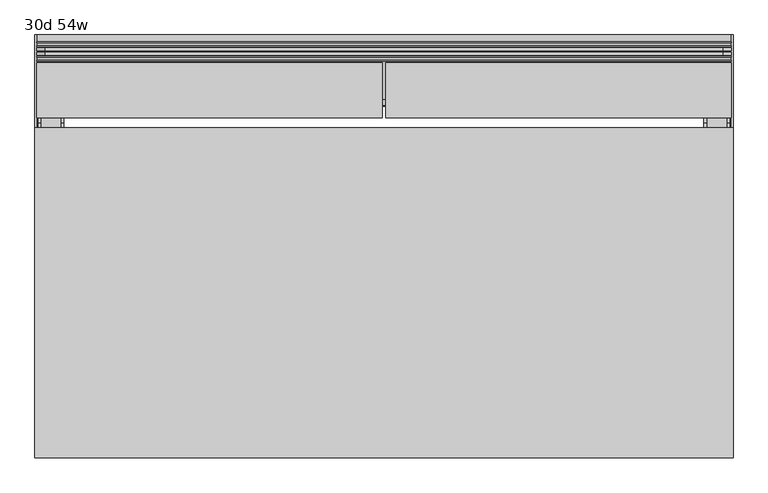
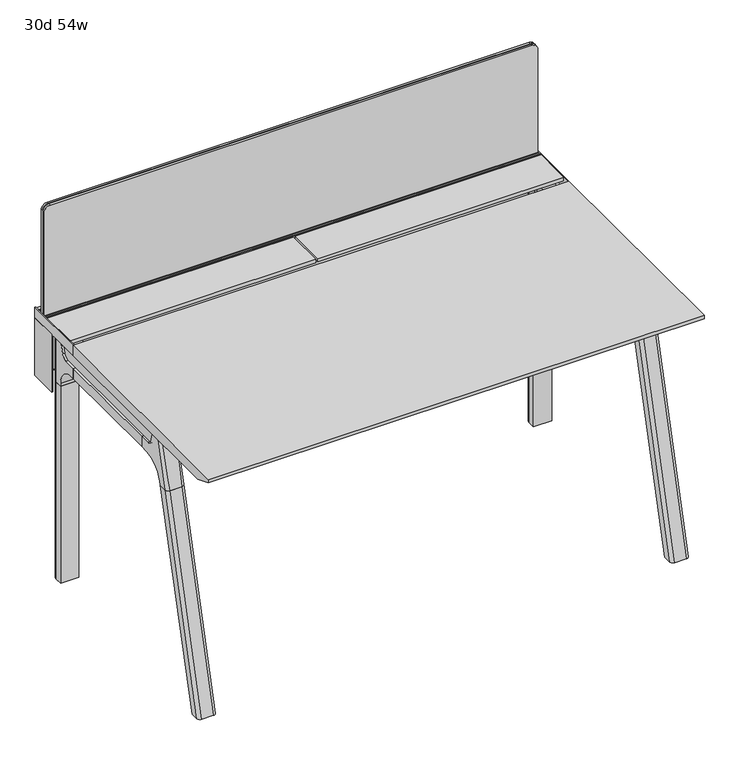
"""IFC4 building model written with IfcOpenShell, lengths in millimetres: furniture geometry, 30d 54w."""

from ifc_helpers import new_model, si_unit, point, frame, frame_2d, origin, place, context, project, spatial, polyline, circle_curve, ellipse_curve, trimmed, segment, composite_curve, outline, extrude, source, transform, mapped, element, save
from ifc_brep_helpers import plane_surface, cylinder_surface, revolved_surface, advanced_brep


def furniture_30d_54w_0af1ef40(model_context):
    return source(origin(), model_context, "Body", "SolidModel", [
        extrude(outline(composite_curve([segment(polyline([(-171.6458172, 542.478661), (-293.447806, 542.478661)]), True, "CONTINUOUS"), segment(trimmed(circle_curve(frame_2d((-293.447806, 555.972411)), 13.49375), [point((-293.447806, 542.478661))], [point((-306.941556, 555.972411))], False, "CARTESIAN"), True, "CONTINUOUS"), segment(polyline([(-306.941556, 555.972411), (-306.941556, 579.126206), (-306.147806, 579.126206), (-306.147806, 555.972411)]), True, "CONTINUOUS"), segment(trimmed(circle_curve(frame_2d((-293.447806, 555.972411)), 12.7), [point((-306.147806, 555.972411))], [point((-293.447806, 543.272411))], True, "CARTESIAN"), True, "CONTINUOUS"), segment(polyline([(-293.447806, 543.272411), (-171.6458172, 543.272411), (-171.6458172, 542.478661)]), True, "CONTINUOUS")], self_intersect=False)), frame((-314.325, 0.0, 0.0), z_axis=(1.0, 0.0, 0.0), x_axis=(0.0, 1.0, 0.0)), (0.0, 0.0, 1.0), 1060.45),
        extrude(outline(polyline([(-167.2415802, 542.478661), (-171.6458172, 542.478661), (-171.6458172, 543.272411), (-168.0353302, 543.272411), (-168.0353302, 738.7080593), (-179.9097266, 738.7080593), (-179.9097266, 729.9768093), (-180.7034766, 729.9768093), (-180.7034766, 739.5018093), (-167.2415802, 739.5018093), (-167.2415802, 542.478661)])), frame((-466.725, 0.0, 0.0), z_axis=(1.0, 0.0, 0.0), x_axis=(0.0, 1.0, 0.0)), (0.0, 0.0, 1.0), 1365.25),
        extrude(outline(composite_curve([segment(polyline([(1054.89375, 879.475), (1054.89375, -447.675)]), True, "CONTINUOUS"), segment(trimmed(circle_curve(frame_2d((1039.01875, -447.675)), 15.875), [point((1054.89375, -447.675))], [point((1039.01875, -463.55))], False, "CARTESIAN"), True, "CONTINUOUS"), segment(polyline([(1039.01875, -463.55), (720.725, -463.55), (720.725, 895.35), (1039.01875, 895.35)]), True, "CONTINUOUS"), segment(trimmed(circle_curve(frame_2d((1039.01875, 879.475)), 15.875), [point((1039.01875, 895.35))], [point((1054.89375, 879.475))], False, "CARTESIAN"), True, "CONTINUOUS")], self_intersect=False)), frame((0.0, -201.3409766, 0.0), z_axis=(0.0, 1.0, 0.0), x_axis=(0.0, 0.0, 1.0)), (0.0, 0.0, 1.0), 3.175),
        extrude(outline(composite_curve([segment(polyline([(1058.06875, 882.65), (1058.06875, -450.85)]), True, "CONTINUOUS"), segment(trimmed(circle_curve(frame_2d((1042.19375, -450.85)), 15.875), [point((1058.06875, -450.85))], [point((1042.19375, -466.725))], False, "CARTESIAN"), True, "CONTINUOUS"), segment(polyline([(1042.19375, -466.725), (717.55, -466.725), (717.55, 898.525), (1042.19375, 898.525)]), True, "CONTINUOUS"), segment(trimmed(circle_curve(frame_2d((1042.19375, 882.65)), 15.875), [point((1042.19375, 898.525))], [point((1058.06875, 882.65))], False, "CARTESIAN"), True, "CONTINUOUS")], self_intersect=False)), frame((0.0, -198.1659766, 0.0), z_axis=(0.0, 1.0, 0.0), x_axis=(0.0, 0.0, 1.0)), (0.0, 0.0, 1.0), 5.55625),
        extrude(outline(composite_curve([segment(polyline([(1058.06875, 882.65), (1058.06875, -450.85)]), True, "CONTINUOUS"), segment(trimmed(circle_curve(frame_2d((1042.19375, -450.85)), 15.875), [point((1058.06875, -450.85))], [point((1042.19375, -466.725))], False, "CARTESIAN"), True, "CONTINUOUS"), segment(polyline([(1042.19375, -466.725), (717.55, -466.725), (717.55, 898.525), (1042.19375, 898.525)]), True, "CONTINUOUS"), segment(trimmed(circle_curve(frame_2d((1042.19375, 882.65)), 15.875), [point((1042.19375, 898.525))], [point((1058.06875, 882.65))], False, "CARTESIAN"), True, "CONTINUOUS")], self_intersect=False)), frame((0.0, -206.8972266, 0.0), z_axis=(0.0, 1.0, 0.0), x_axis=(0.0, 0.0, 1.0)), (0.0, 0.0, 1.0), 5.55625),
        extrude(outline(polyline([(-218.8034766, 715.9625), (-218.8034766, 741.3625), (-217.2159766, 741.3625), (-217.2159766, 720.725), (-210.8659766, 720.725), (-210.8659766, 741.3625), (-209.2784766, 741.3625), (-209.2784766, 717.55), (-190.2284766, 717.55), (-190.2284766, 741.3625), (-188.6409766, 741.3625), (-188.6409766, 720.725), (-182.2909766, 720.725), (-182.2909766, 741.3625), (-180.7034766, 741.3625), (-180.7034766, 715.9625), (-218.8034766, 715.9625)])), frame((-466.725, 0.0, 0.0), z_axis=(1.0, 0.0, 0.0), x_axis=(0.0, 1.0, 0.0)), (0.0, 0.0, 1.0), 1365.25),
        extrude(outline(composite_curve([segment(polyline([(-280.7159766, 711.2), (-289.7740774, 677.3947076)]), True, "CONTINUOUS"), segment(trimmed(circle_curve(frame_2d((-305.1081499, 681.5034599)), 15.875), [point((-289.7740774, 677.3947076))], [point((-305.1081499, 665.6284599))], False, "CARTESIAN"), True, "CONTINUOUS"), segment(polyline([(-305.1081499, 665.6284599), (-703.2050533, 665.6284599)]), True, "CONTINUOUS"), segment(trimmed(circle_curve(frame_2d((-703.2050533, 681.5034599)), 15.875), [point((-703.2050533, 665.6284599))], [point((-718.5391258, 677.3947076))], False, "CARTESIAN"), True, "CONTINUOUS"), segment(polyline([(-718.5391258, 677.3947076), (-727.5972266, 711.2), (-280.7159766, 711.2)]), True, "CONTINUOUS")], self_intersect=False)), frame((850.9, 0.0, 0.0), z_axis=(1.0, 0.0, 0.0), x_axis=(0.0, 1.0, 0.0)), (0.0, 0.0, 1.0), 38.1),
        extrude(outline(polyline([(895.35, -341.0409766), (895.35, -667.2722266), (844.55, -667.2722266), (844.55, -341.0409766), (895.35, -341.0409766)])), frame((0.0, 0.0, 635.6476591), z_axis=(0.0, 0.0, 1.0), x_axis=(1.0, 0.0, 0.0)), (0.0, 0.0, 1.0), 29.9808008),
        extrude(outline(composite_curve([segment(polyline([(-280.7159766, 711.2), (-289.7740774, 677.3947076)]), True, "CONTINUOUS"), segment(trimmed(circle_curve(frame_2d((-305.1081499, 681.5034599)), 15.875), [point((-289.7740774, 677.3947076))], [point((-305.1081499, 665.6284599))], False, "CARTESIAN"), True, "CONTINUOUS"), segment(polyline([(-305.1081499, 665.6284599), (-703.2050533, 665.6284599)]), True, "CONTINUOUS"), segment(trimmed(circle_curve(frame_2d((-703.2050533, 681.5034599)), 15.875), [point((-703.2050533, 665.6284599))], [point((-718.5391258, 677.3947076))], False, "CARTESIAN"), True, "CONTINUOUS"), segment(polyline([(-718.5391258, 677.3947076), (-727.5972266, 711.2), (-280.7159766, 711.2)]), True, "CONTINUOUS")], self_intersect=False)), frame((-457.2, 0.0, 0.0), z_axis=(1.0, 0.0, 0.0), x_axis=(0.0, 1.0, 0.0)), (0.0, 0.0, 1.0), 38.1),
        extrude(outline(polyline([(-412.75, -341.0409766), (-412.75, -667.2722266), (-463.55, -667.2722266), (-463.55, -341.0409766), (-412.75, -341.0409766)])), frame((0.0, 0.0, 635.6476591), z_axis=(0.0, 0.0, 1.0), x_axis=(1.0, 0.0, 0.0)), (0.0, 0.0, 1.0), 29.9808008),
        advanced_brep(
        [(895.35, -280.6696478, 711.2), (895.35, -289.7277486, 677.3947076), (895.35, -305.0618211, 665.6284599), (895.35, -341.0409766, 665.6284599), (895.35, -341.0409766, 635.6476591), (895.35, -329.9284766, 635.6476591), (895.35, -279.1284766, 584.8476591), (895.35, -279.1284766, 576.659375), (895.35, -256.9034766, 576.659375), (895.35, -256.9034766, 711.2), (844.55, -279.1284766, 576.659375), (844.55, -279.1284766, 584.8476591), (844.55, -329.9284766, 635.6476591), (844.55, -341.0409766, 635.6476591), (844.55, -341.0409766, 665.6284599), (844.55, -305.0618211, 665.6284599), (844.55, -289.7277486, 677.3947076), (844.55, -280.6696478, 711.2), (844.55, -256.9034766, 711.2), (844.55, -256.9034766, 576.659375), (885.825, -247.3784766, 711.2), (854.075, -247.3784766, 711.2), (854.075, -247.3784766, 576.659375), (885.825, -247.3784766, 576.659375)],
        [
            (0, 1),
            (1, 2, circle_curve(frame((895.35, -305.0618211, 681.5034599), z_axis=(-1.0, 0.0, 0.0), x_axis=(0.0, 1.0, 0.0)), 15.875)),
            (2, 3),
            (3, 4),
            (4, 5),
            (5, 6, circle_curve(frame((895.35, -329.9284766, 584.8476591), z_axis=(-1.0, 0.0, 0.0), x_axis=(0.0, 1.0, 0.0)), 50.8)),
            (6, 7),
            (7, 8),
            (8, 9),
            (9, 0),
            (10, 11),
            (11, 12, circle_curve(frame((844.55, -329.9284766, 584.8476591), z_axis=(1.0, 0.0, 0.0), x_axis=(0.0, 1.0, 0.0)), 50.8)),
            (12, 13),
            (13, 14),
            (14, 15),
            (15, 16, circle_curve(frame((844.55, -305.0618211, 681.5034599), z_axis=(1.0, 0.0, 0.0), x_axis=(0.0, 1.0, 0.0)), 15.875)),
            (16, 17),
            (17, 18),
            (18, 19),
            (19, 10),
            (17, 0),
            (9, 20, circle_curve(frame((885.825, -256.9034766, 711.2), z_axis=(0.0, 0.0, 1.0), x_axis=(-1.0, 0.0, 0.0)), 9.525)),
            (20, 21),
            (21, 18, circle_curve(frame((854.075, -256.9034766, 711.2), z_axis=(0.0, 0.0, 1.0), x_axis=(-1.0, 0.0, 0.0)), 9.525)),
            (16, 1),
            (15, 2),
            (14, 3),
            (13, 4),
            (12, 5),
            (7, 10),
            (19, 22, circle_curve(frame((854.075, -256.9034766, 576.659375), z_axis=(0.0, 0.0, -1.0), x_axis=(-1.0, 0.0, 0.0)), 9.525)),
            (22, 23),
            (23, 8, circle_curve(frame((885.825, -256.9034766, 576.659375), z_axis=(0.0, 0.0, -1.0), x_axis=(-1.0, 0.0, 0.0)), 9.525)),
            (11, 6),
            (23, 20),
            (21, 22),
        ],
        [
            plane_surface(frame((895.35, -240.451947, 711.2), z_axis=(1.0, 0.0, 0.0), x_axis=(0.0, -1.0, 0.0))),
            plane_surface(frame((844.55, -240.451947, 711.2), z_axis=(-1.0, 0.0, 0.0), x_axis=(0.0, 1.0, 0.0))),
            plane_surface(frame((895.35, -240.451947, 711.2), z_axis=(0.0, 0.0, 1.0), x_axis=(-1.0, 0.0, 0.0))),
            plane_surface(frame((895.35, -280.6696478, 711.2), z_axis=(0.0, -0.9659258262890683, 0.2588190451025207), x_axis=(-1.0, 0.0, 0.0))),
            revolved_surface(polyline([(844.55, -289.1868211, 681.5034599), (895.35, -289.1868211, 681.5034599)]), (844.55, -305.0618211, 681.5034599), (-1.0, 0.0, 0.0)),
            plane_surface(frame((895.35, -305.0618211, 665.6284599), z_axis=(0.0, 0.0, 1.0), x_axis=(-1.0, 0.0, 0.0))),
            plane_surface(frame((895.35, -341.0409766, 665.6284599), z_axis=(0.0, -1.0, 0.0), x_axis=(-1.0, 0.0, 0.0))),
            plane_surface(frame((895.35, -341.0409766, 635.6476591), z_axis=(0.0, 0.0, -1.0), x_axis=(-1.0, 0.0, 0.0))),
            plane_surface(frame((895.35, -279.1284766, 576.659375), z_axis=(0.0, 0.0, -1.0), x_axis=(-1.0, 0.0, 0.0))),
            revolved_surface(polyline([(844.55, -279.1284766, 584.8476591), (895.35, -279.1284766, 584.8476591)]), (844.55, -329.9284766, 584.8476591), (-1.0, 0.0, 0.0)),
            plane_surface(frame((895.35, -279.1284766, 584.8476591), z_axis=(0.0, -1.0, 0.0), x_axis=(-1.0, 0.0, 0.0))),
            cylinder_surface(frame((885.825, -256.9034766, 524.9807374), z_axis=(0.0, 0.0, -1.0), x_axis=(-1.0, 0.0, 0.0)), 9.525),
            cylinder_surface(frame((854.075, -256.9034766, 524.9807374), z_axis=(0.0, 0.0, -1.0), x_axis=(-1.0, 0.0, 0.0)), 9.525),
            plane_surface(frame((854.075, -247.3784766, 711.2), z_axis=(0.0, 1.0, 0.0), x_axis=(0.0, 0.0, -1.0))),
        ],
        [
            (0, [[1, 2, 3, 4, 5, 6, 7, 8, 9, 10]]),
            (1, [[11, 12, 13, 14, 15, 16, 17, 18, 19, 20]]),
            (2, [[21, -10, 22, 23, 24, -18]]),
            (3, [[-1, -21, -17, 25]]),
            (4, [[-2, -25, -16, 26]]),
            (5, [[-3, -26, -15, 27]]),
            (6, [[-4, -27, -14, 28]]),
            (7, [[-5, -28, -13, 29]]),
            (8, [[30, -20, 31, 32, 33, -8]]),
            (9, [[-6, -29, -12, 34]]),
            (10, [[-7, -34, -11, -30]]),
            (11, [[35, -22, -9, -33]]),
            (12, [[36, -31, -19, -24]]),
            (13, [[-35, -32, -36, -23]]),
        ],
    ),
        advanced_brep(
        [(844.55, -279.1284766, 576.659375), (895.35, -279.1284766, 576.659375), (895.35, -256.9034766, 576.659375), (885.825, -247.3784766, 576.659375), (854.075, -247.3784766, 576.659375), (844.55, -256.9034766, 576.659375), (844.55, -279.1284766, 0.0), (844.55, -256.9034766, 0.0), (854.075, -247.3784766, 0.0), (885.825, -247.3784766, 0.0), (895.35, -256.9034766, 0.0), (895.35, -279.1284766, 0.0), (895.35, -256.9034766, 524.9807374), (885.825, -247.3784766, 524.9807374), (854.075, -247.3784766, 524.9807374), (844.55, -256.9034766, 524.9807374)],
        [
            (0, 1),
            (1, 2),
            (2, 3, circle_curve(frame((885.825, -256.9034766, 576.659375), z_axis=(0.0, 0.0, 1.0), x_axis=(-1.0, 0.0, 0.0)), 9.525)),
            (3, 4),
            (4, 5, circle_curve(frame((854.075, -256.9034766, 576.659375), z_axis=(0.0, 0.0, 1.0), x_axis=(-1.0, 0.0, 0.0)), 9.525)),
            (5, 0),
            (6, 7),
            (7, 8, circle_curve(frame((854.075, -256.9034766, 0.0), z_axis=(0.0, 0.0, -1.0), x_axis=(-1.0, 0.0, 0.0)), 9.525)),
            (8, 9),
            (9, 10, circle_curve(frame((885.825, -256.9034766, 0.0), z_axis=(0.0, 0.0, -1.0), x_axis=(-1.0, 0.0, 0.0)), 9.525)),
            (10, 11),
            (11, 6),
            (0, 6),
            (11, 1),
            (10, 12),
            (12, 2),
            (9, 13),
            (13, 3),
            (8, 14),
            (14, 4),
            (7, 15),
            (15, 5),
        ],
        [
            plane_surface(frame((902.5462903, -279.1284766, 576.659375), z_axis=(0.0, 0.0, 1.0), x_axis=(1.0, 0.0, 0.0))),
            plane_surface(frame((902.5462903, -279.1284766, 0.0), z_axis=(0.0, 0.0, -1.0), x_axis=(-1.0, 0.0, 0.0))),
            plane_surface(frame((844.55, -279.1284766, 576.659375), z_axis=(0.0, -1.0, 0.0), x_axis=(0.0, 0.0, -1.0))),
            plane_surface(frame((895.35, -279.1284766, 576.659375), z_axis=(1.0, 0.0, 0.0), x_axis=(0.0, 0.0, -1.0))),
            cylinder_surface(frame((885.825, -256.9034766, 0.0), z_axis=(0.0, 0.0, 1.0), x_axis=(-1.0, 0.0, 0.0)), 9.525),
            plane_surface(frame((885.825, -247.3784766, 576.659375), z_axis=(0.0, 1.0, 0.0), x_axis=(0.0, 0.0, -1.0))),
            cylinder_surface(frame((854.075, -256.9034766, 0.0), z_axis=(0.0, 0.0, 1.0), x_axis=(-1.0, 0.0, 0.0)), 9.525),
            plane_surface(frame((844.55, -256.9034766, 576.659375), z_axis=(-1.0, 0.0, 0.0), x_axis=(0.0, 0.0, -1.0))),
        ],
        [
            (0, [[1, 2, 3, 4, 5, 6]]),
            (1, [[7, 8, 9, 10, 11, 12]]),
            (2, [[-1, 13, -12, 14]]),
            (3, [[-2, -14, -11, 15, 16]]),
            (4, [[-3, -16, -15, -10, 17, 18]]),
            (5, [[-4, -18, -17, -9, 19, 20]]),
            (6, [[-5, -20, -19, -8, 21, 22]]),
            (7, [[-6, -22, -21, -7, -13]]),
        ],
    ),
        advanced_brep(
        [(-412.75, -280.6696478, 711.2), (-412.75, -289.7277486, 677.3947076), (-412.75, -305.0618211, 665.6284599), (-412.75, -341.0409766, 665.6284599), (-412.75, -341.0409766, 635.6476591), (-412.75, -329.9284766, 635.6476591), (-412.75, -279.1284766, 584.8476591), (-412.75, -279.1284766, 576.659375), (-412.75, -256.9034766, 576.659375), (-412.75, -256.9034766, 711.2), (-463.55, -279.1284766, 576.659375), (-463.55, -279.1284766, 584.8476591), (-463.55, -329.9284766, 635.6476591), (-463.55, -341.0409766, 635.6476591), (-463.55, -341.0409766, 665.6284599), (-463.55, -305.0618211, 665.6284599), (-463.55, -289.7277486, 677.3947076), (-463.55, -280.6696478, 711.2), (-463.55, -256.9034766, 711.2), (-463.55, -256.9034766, 576.659375), (-422.275, -247.3784766, 711.2), (-454.025, -247.3784766, 711.2), (-454.025, -247.3784766, 576.659375), (-422.275, -247.3784766, 576.659375)],
        [
            (0, 1),
            (1, 2, circle_curve(frame((-412.75, -305.0618211, 681.5034599), z_axis=(-1.0, 0.0, 0.0), x_axis=(0.0, 1.0, 0.0)), 15.875)),
            (2, 3),
            (3, 4),
            (4, 5),
            (5, 6, circle_curve(frame((-412.75, -329.9284766, 584.8476591), z_axis=(-1.0, 0.0, 0.0), x_axis=(0.0, 1.0, 0.0)), 50.8)),
            (6, 7),
            (7, 8),
            (8, 9),
            (9, 0),
            (10, 11),
            (11, 12, circle_curve(frame((-463.55, -329.9284766, 584.8476591), z_axis=(1.0, 0.0, 0.0), x_axis=(0.0, 1.0, 0.0)), 50.8)),
            (12, 13),
            (13, 14),
            (14, 15),
            (15, 16, circle_curve(frame((-463.55, -305.0618211, 681.5034599), z_axis=(1.0, 0.0, 0.0), x_axis=(0.0, 1.0, 0.0)), 15.875)),
            (16, 17),
            (17, 18),
            (18, 19),
            (19, 10),
            (17, 0),
            (9, 20, circle_curve(frame((-422.275, -256.9034766, 711.2), z_axis=(0.0, 0.0, 1.0), x_axis=(-1.0, 0.0, 0.0)), 9.525)),
            (20, 21),
            (21, 18, circle_curve(frame((-454.025, -256.9034766, 711.2), z_axis=(0.0, 0.0, 1.0), x_axis=(-1.0, 0.0, 0.0)), 9.525)),
            (16, 1),
            (15, 2),
            (14, 3),
            (13, 4),
            (12, 5),
            (7, 10),
            (19, 22, circle_curve(frame((-454.025, -256.9034766, 576.659375), z_axis=(0.0, 0.0, -1.0), x_axis=(-1.0, 0.0, 0.0)), 9.525)),
            (22, 23),
            (23, 8, circle_curve(frame((-422.275, -256.9034766, 576.659375), z_axis=(0.0, 0.0, -1.0), x_axis=(-1.0, 0.0, 0.0)), 9.525)),
            (11, 6),
            (23, 20),
            (21, 22),
        ],
        [
            plane_surface(frame((-412.75, -240.451947, 711.2), z_axis=(1.0, 0.0, 0.0), x_axis=(0.0, -1.0, 0.0))),
            plane_surface(frame((-463.55, -240.451947, 711.2), z_axis=(-1.0, 0.0, 0.0), x_axis=(0.0, 1.0, 0.0))),
            plane_surface(frame((-412.75, -240.451947, 711.2), z_axis=(0.0, 0.0, 1.0), x_axis=(-1.0, 0.0, 0.0))),
            plane_surface(frame((-412.75, -280.6696478, 711.2), z_axis=(0.0, -0.9659258262890683, 0.2588190451025207), x_axis=(-1.0, 0.0, 0.0))),
            revolved_surface(polyline([(-463.55, -289.1868211, 681.5034599), (-412.75, -289.1868211, 681.5034599)]), (-463.55, -305.0618211, 681.5034599), (-1.0, 0.0, 0.0)),
            plane_surface(frame((-412.75, -305.0618211, 665.6284599), z_axis=(0.0, 0.0, 1.0), x_axis=(-1.0, 0.0, 0.0))),
            plane_surface(frame((-412.75, -341.0409766, 665.6284599), z_axis=(0.0, -1.0, 0.0), x_axis=(-1.0, 0.0, 0.0))),
            plane_surface(frame((-412.75, -341.0409766, 635.6476591), z_axis=(0.0, 0.0, -1.0), x_axis=(-1.0, 0.0, 0.0))),
            plane_surface(frame((-412.75, -279.1284766, 576.659375), z_axis=(0.0, 0.0, -1.0), x_axis=(-1.0, 0.0, 0.0))),
            revolved_surface(polyline([(-463.55, -279.1284766, 584.8476591), (-412.75, -279.1284766, 584.8476591)]), (-463.55, -329.9284766, 584.8476591), (-1.0, 0.0, 0.0)),
            plane_surface(frame((-412.75, -279.1284766, 584.8476591), z_axis=(0.0, -1.0, 0.0), x_axis=(-1.0, 0.0, 0.0))),
            cylinder_surface(frame((-422.275, -256.9034766, 524.9807374), z_axis=(0.0, 0.0, -1.0), x_axis=(-1.0, 0.0, 0.0)), 9.525),
            cylinder_surface(frame((-454.025, -256.9034766, 524.9807374), z_axis=(0.0, 0.0, -1.0), x_axis=(-1.0, 0.0, 0.0)), 9.525),
            plane_surface(frame((-454.025, -247.3784766, 711.2), z_axis=(0.0, 1.0, 0.0), x_axis=(0.0, 0.0, -1.0))),
        ],
        [
            (0, [[1, 2, 3, 4, 5, 6, 7, 8, 9, 10]]),
            (1, [[11, 12, 13, 14, 15, 16, 17, 18, 19, 20]]),
            (2, [[21, -10, 22, 23, 24, -18]]),
            (3, [[-1, -21, -17, 25]]),
            (4, [[-2, -25, -16, 26]]),
            (5, [[-3, -26, -15, 27]]),
            (6, [[-4, -27, -14, 28]]),
            (7, [[-5, -28, -13, 29]]),
            (8, [[30, -20, 31, 32, 33, -8]]),
            (9, [[-6, -29, -12, 34]]),
            (10, [[-7, -34, -11, -30]]),
            (11, [[35, -22, -9, -33]]),
            (12, [[36, -31, -19, -24]]),
            (13, [[-35, -32, -36, -23]]),
        ],
    ),
        advanced_brep(
        [(-463.55, -279.1284766, 576.659375), (-412.75, -279.1284766, 576.659375), (-412.75, -256.9034766, 576.659375), (-422.275, -247.3784766, 576.659375), (-454.025, -247.3784766, 576.659375), (-463.55, -256.9034766, 576.659375), (-463.55, -279.1284766, 0.0), (-463.55, -256.9034766, 0.0), (-454.025, -247.3784766, 0.0), (-422.275, -247.3784766, 0.0), (-412.75, -256.9034766, 0.0), (-412.75, -279.1284766, 0.0), (-412.75, -256.9034766, 524.9807374), (-422.275, -247.3784766, 524.9807374), (-454.025, -247.3784766, 524.9807374), (-463.55, -256.9034766, 524.9807374)],
        [
            (0, 1),
            (1, 2),
            (2, 3, circle_curve(frame((-422.275, -256.9034766, 576.659375), z_axis=(0.0, 0.0, 1.0), x_axis=(-1.0, 0.0, 0.0)), 9.525)),
            (3, 4),
            (4, 5, circle_curve(frame((-454.025, -256.9034766, 576.659375), z_axis=(0.0, 0.0, 1.0), x_axis=(-1.0, 0.0, 0.0)), 9.525)),
            (5, 0),
            (6, 7),
            (7, 8, circle_curve(frame((-454.025, -256.9034766, 0.0), z_axis=(0.0, 0.0, -1.0), x_axis=(-1.0, 0.0, 0.0)), 9.525)),
            (8, 9),
            (9, 10, circle_curve(frame((-422.275, -256.9034766, 0.0), z_axis=(0.0, 0.0, -1.0), x_axis=(-1.0, 0.0, 0.0)), 9.525)),
            (10, 11),
            (11, 6),
            (0, 6),
            (11, 1),
            (10, 12),
            (12, 2),
            (9, 13),
            (13, 3),
            (8, 14),
            (14, 4),
            (7, 15),
            (15, 5),
        ],
        [
            plane_surface(frame((-405.5537097, -279.1284766, 576.659375), z_axis=(0.0, 0.0, 1.0), x_axis=(1.0, 0.0, 0.0))),
            plane_surface(frame((-405.5537097, -279.1284766, 0.0), z_axis=(0.0, 0.0, -1.0), x_axis=(-1.0, 0.0, 0.0))),
            plane_surface(frame((-463.55, -279.1284766, 576.659375), z_axis=(0.0, -1.0, 0.0), x_axis=(0.0, 0.0, -1.0))),
            plane_surface(frame((-412.75, -279.1284766, 576.659375), z_axis=(1.0, 0.0, 0.0), x_axis=(0.0, 0.0, -1.0))),
            cylinder_surface(frame((-422.275, -256.9034766, 0.0), z_axis=(0.0, 0.0, 1.0), x_axis=(-1.0, 0.0, 0.0)), 9.525),
            plane_surface(frame((-422.275, -247.3784766, 576.659375), z_axis=(0.0, 1.0, 0.0), x_axis=(0.0, 0.0, -1.0))),
            cylinder_surface(frame((-454.025, -256.9034766, 0.0), z_axis=(0.0, 0.0, 1.0), x_axis=(-1.0, 0.0, 0.0)), 9.525),
            plane_surface(frame((-463.55, -256.9034766, 576.659375), z_axis=(-1.0, 0.0, 0.0), x_axis=(0.0, 0.0, -1.0))),
        ],
        [
            (0, [[1, 2, 3, 4, 5, 6]]),
            (1, [[7, 8, 9, 10, 11, 12]]),
            (2, [[-1, 13, -12, 14]]),
            (3, [[-2, -14, -11, 15, 16]]),
            (4, [[-3, -16, -15, -10, 17, 18]]),
            (5, [[-4, -18, -17, -9, 19, 20]]),
            (6, [[-5, -20, -19, -8, 21, 22]]),
            (7, [[-6, -22, -21, -7, -13]]),
        ],
    ),
        advanced_brep(
        [(844.55, -721.2935553, 711.2), (844.55, -712.2354545, 677.3947076), (844.55, -696.901382, 665.6284599), (844.55, -667.2722266, 665.6284599), (844.55, -667.2722266, 635.6476591), (844.55, -690.1434588, 635.6476591), (844.55, -754.5465633, 586.2294189), (844.55, -757.1047754, 576.6820411), (844.55, -778.2087453, 576.6820411), (844.55, -742.7601017, 711.2), (895.35, -757.1047754, 576.6820411), (895.35, -754.5465633, 586.2294189), (895.35, -690.1434588, 635.6476591), (895.35, -667.2722266, 635.6476591), (895.35, -667.2722266, 665.6284599), (895.35, -696.901382, 665.6284599), (895.35, -712.2354545, 677.3947076), (895.35, -721.2935553, 711.2), (895.35, -742.7601017, 711.2), (895.35, -778.2087453, 576.6820411), (850.8138162, -752.0149462, 711.2), (889.0861838, -752.0149462, 711.2), (885.825, -788.0589247, 576.6820411), (854.075, -788.0589247, 576.6820411)],
        [
            (0, 1),
            (1, 2, circle_curve(frame((844.55, -696.901382, 681.5034599), z_axis=(1.0, 0.0, 0.0), x_axis=(0.0, -1.0, 0.0)), 15.875)),
            (2, 3),
            (3, 4),
            (4, 5),
            (5, 6, circle_curve(frame((844.55, -690.1434588, 568.9726591), z_axis=(1.0, 0.0, 0.0), x_axis=(0.0, -1.0, 0.0)), 66.675)),
            (6, 7),
            (7, 8),
            (8, 9),
            (9, 0),
            (10, 11),
            (11, 12, circle_curve(frame((895.35, -690.1434588, 568.9726591), z_axis=(-1.0, 0.0, 0.0), x_axis=(0.0, -1.0, 0.0)), 66.675)),
            (12, 13),
            (13, 14),
            (14, 15),
            (15, 16, circle_curve(frame((895.35, -696.901382, 681.5034599), z_axis=(-1.0, 0.0, 0.0), x_axis=(0.0, -1.0, 0.0)), 15.875)),
            (16, 17),
            (17, 18),
            (18, 19),
            (19, 10),
            (17, 0),
            (9, 20, ellipse_curve(frame((854.075, -742.7601017, 711.2), z_axis=(0.0, 0.0, 1.0), x_axis=(0.0, -1.0, 0.0)), 9.8501793, 9.525)),
            (20, 21),
            (21, 18, ellipse_curve(frame((885.825, -742.7601017, 711.2), z_axis=(0.0, 0.0, 1.0), x_axis=(0.0, -1.0, 0.0)), 9.8501793, 9.525)),
            (16, 1),
            (15, 2),
            (14, 3),
            (13, 4),
            (12, 5),
            (11, 6),
            (10, 7),
            (19, 22, ellipse_curve(frame((885.825, -778.2087453, 576.6820411), z_axis=(0.0, 0.0, -1.0), x_axis=(0.0, -1.0, 0.0)), 9.8501793, 9.525)),
            (22, 23),
            (23, 8, ellipse_curve(frame((854.075, -778.2087453, 576.6820411), z_axis=(0.0, 0.0, -1.0), x_axis=(0.0, -1.0, 0.0)), 9.8501793, 9.525)),
            (20, 23, ellipse_curve(frame((854.075, -191.6892106, 2802.3641142), z_axis=(0.0, -0.9659258262890684, 0.2588190451025206), x_axis=(0.0, -0.2588190451025206, -0.9659258262890684)), 2304.1956354, 9.525)),
            (22, 21, ellipse_curve(frame((885.825, -191.6892106, 2802.3641142), z_axis=(0.0, -0.9659258262890684, 0.2588190451025206), x_axis=(0.0, -0.2588190451025206, -0.9659258262890684)), 2304.1956354, 9.525)),
        ],
        [
            plane_surface(frame((844.55, -752.0149462, 711.2), z_axis=(-1.0, 0.0, 0.0), x_axis=(0.0, 1.0, 0.0))),
            plane_surface(frame((895.35, -752.0149462, 711.2), z_axis=(1.0, 0.0, 0.0), x_axis=(0.0, -1.0, 0.0))),
            plane_surface(frame((844.55, -752.0149462, 711.2), z_axis=(0.0, 0.0, 1.0), x_axis=(1.0, 0.0, 0.0))),
            plane_surface(frame((844.55, -721.2935553, 711.2), z_axis=(0.0, 0.9659258262890683, 0.2588190451025207), x_axis=(1.0, 0.0, 0.0))),
            revolved_surface(polyline([(895.35, -712.776382, 681.5034599), (844.55, -712.776382, 681.5034599)]), (895.35, -696.901382, 681.5034599), (1.0, 0.0, 0.0)),
            plane_surface(frame((844.55, -696.901382, 665.6284599), z_axis=(0.0, 0.0, 1.0), x_axis=(1.0, 0.0, 0.0))),
            plane_surface(frame((844.55, -667.2722266, 665.6284599), z_axis=(0.0, 1.0, 0.0), x_axis=(1.0, 0.0, 0.0))),
            plane_surface(frame((844.55, -667.2722266, 635.6476591), z_axis=(0.0, 0.0, -1.0), x_axis=(1.0, 0.0, 0.0))),
            revolved_surface(polyline([(895.35, -756.8184587999999, 568.9726591), (844.55, -756.8184587999999, 568.9726591)]), (895.35, -690.1434588, 568.9726591), (1.0, 0.0, 0.0)),
            plane_surface(frame((844.55, -754.5465633, 586.2294189), z_axis=(0.0, 0.9659258262890693, -0.25881904510251696), x_axis=(1.0, 0.0, 0.0))),
            plane_surface(frame((844.55, -757.1047754, 576.6820411), z_axis=(0.0, 0.0, -1.0), x_axis=(1.0, 0.0, 0.0))),
            plane_surface(frame((844.55, -788.0589247, 576.6820411), z_axis=(0.0, -0.9659258262890684, 0.2588190451025206), x_axis=(1.0, 0.0, 0.0))),
            cylinder_surface(frame((854.075, -930.8176402, -2.4271979), z_axis=(0.0, -0.25482392474081483, -0.966987470125486), x_axis=(1.0, 0.0, 0.0)), 9.525),
            cylinder_surface(frame((885.825, -930.8176402, -2.4271979), z_axis=(0.0, -0.25482392474081483, -0.966987470125486), x_axis=(1.0, 0.0, 0.0)), 9.525),
        ],
        [
            (0, [[1, 2, 3, 4, 5, 6, 7, 8, 9, 10]]),
            (1, [[11, 12, 13, 14, 15, 16, 17, 18, 19, 20]]),
            (2, [[21, -10, 22, 23, 24, -18]]),
            (3, [[-1, -21, -17, 25]]),
            (4, [[-2, -25, -16, 26]]),
            (5, [[-3, -26, -15, 27]]),
            (6, [[-4, -27, -14, 28]]),
            (7, [[-5, -28, -13, 29]]),
            (8, [[-6, -29, -12, 30]]),
            (9, [[-7, -30, -11, 31]]),
            (10, [[-31, -20, 32, 33, 34, -8]]),
            (11, [[-23, 35, -33, 36]]),
            (12, [[-9, -34, -35, -22]]),
            (13, [[-19, -24, -36, -32]]),
        ],
    ),
        advanced_brep(
        [(844.55, -757.1047754, 576.6820411), (844.55, -909.0740466, 0.0), (844.55, -930.1780165, 0.0), (844.55, -778.2087453, 576.6820411), (895.35, -909.0740466, 0.0), (895.35, -757.1047754, 576.6820411), (895.35, -778.2087453, 576.6820411), (895.35, -930.1780165, 0.0), (854.075, -788.0589247, 576.6820411), (885.825, -788.0589247, 576.6820411), (885.825, -940.0281958, 0.0), (854.075, -940.0281958, 0.0)],
        [
            (0, 1),
            (1, 2),
            (2, 3),
            (3, 0),
            (4, 5),
            (5, 6),
            (6, 7),
            (7, 4),
            (5, 0),
            (3, 8, ellipse_curve(frame((854.075, -778.2087453, 576.6820411), z_axis=(0.0, 0.0, 1.0), x_axis=(0.0, -1.0, 0.0)), 9.8501793, 9.525)),
            (8, 9),
            (9, 6, ellipse_curve(frame((885.825, -778.2087453, 576.6820411), z_axis=(0.0, 0.0, 1.0), x_axis=(0.0, -1.0, 0.0)), 9.8501793, 9.525)),
            (4, 1),
            (7, 10, ellipse_curve(frame((885.825, -930.1780165, 0.0), z_axis=(0.0, 0.0, -1.0), x_axis=(0.0, -1.0, 0.0)), 9.8501793, 9.525)),
            (10, 11),
            (11, 2, ellipse_curve(frame((854.075, -930.1780165, 0.0), z_axis=(0.0, 0.0, -1.0), x_axis=(0.0, -1.0, 0.0)), 9.8501793, 9.525)),
            (8, 11),
            (10, 9),
        ],
        [
            plane_surface(frame((844.55, -788.0589247, 576.6820411), z_axis=(-1.0, 0.0, 0.0), x_axis=(0.0, 1.0, 0.0))),
            plane_surface(frame((895.35, -788.0589247, 576.6820411), z_axis=(1.0, 0.0, 0.0), x_axis=(0.0, -1.0, 0.0))),
            plane_surface(frame((844.55, -788.0589247, 576.6820411), z_axis=(0.0, 0.0, 1.0), x_axis=(1.0, 0.0, 0.0))),
            plane_surface(frame((844.55, -757.1047754, 576.6820411), z_axis=(0.0, 0.9669874701254844, -0.2548239247408208), x_axis=(1.0, 0.0, 0.0))),
            plane_surface(frame((844.55, -909.0740466, 0.0), z_axis=(0.0, 0.0, -1.0), x_axis=(1.0, 0.0, 0.0))),
            plane_surface(frame((844.55, -940.0281958, 0.0), z_axis=(0.0, -0.9669874701254855, 0.2548239247408166), x_axis=(1.0, 0.0, 0.0))),
            cylinder_surface(frame((854.075, -930.8176402, -2.4271979), z_axis=(0.0, -0.25482392474081483, -0.966987470125486), x_axis=(1.0, 0.0, 0.0)), 9.525),
            cylinder_surface(frame((885.825, -930.8176402, -2.4271979), z_axis=(0.0, -0.25482392474081483, -0.966987470125486), x_axis=(1.0, 0.0, 0.0)), 9.525),
        ],
        [
            (0, [[1, 2, 3, 4]]),
            (1, [[5, 6, 7, 8]]),
            (2, [[9, -4, 10, 11, 12, -6]]),
            (3, [[-1, -9, -5, 13]]),
            (4, [[-13, -8, 14, 15, 16, -2]]),
            (5, [[-11, 17, -15, 18]]),
            (6, [[-3, -16, -17, -10]]),
            (7, [[-7, -12, -18, -14]]),
        ],
    ),
        advanced_brep(
        [(-463.55, -721.2935553, 711.2), (-463.55, -712.2354545, 677.3947076), (-463.55, -696.901382, 665.6284599), (-463.55, -667.2722266, 665.6284599), (-463.55, -667.2722266, 635.6476591), (-463.55, -690.1434588, 635.6476591), (-463.55, -754.5465633, 586.2294189), (-463.55, -757.1047754, 576.6820411), (-463.55, -778.2087453, 576.6820411), (-463.55, -742.7601017, 711.2), (-412.75, -757.1047754, 576.6820411), (-412.75, -754.5465633, 586.2294189), (-412.75, -690.1434588, 635.6476591), (-412.75, -667.2722266, 635.6476591), (-412.75, -667.2722266, 665.6284599), (-412.75, -696.901382, 665.6284599), (-412.75, -712.2354545, 677.3947076), (-412.75, -721.2935553, 711.2), (-412.75, -742.7601017, 711.2), (-412.75, -778.2087453, 576.6820411), (-457.2861838, -752.0149462, 711.2), (-419.0138162, -752.0149462, 711.2), (-422.275, -788.0589247, 576.6820411), (-454.025, -788.0589247, 576.6820411)],
        [
            (0, 1),
            (1, 2, circle_curve(frame((-463.55, -696.901382, 681.5034599), z_axis=(1.0, 0.0, 0.0), x_axis=(0.0, -1.0, 0.0)), 15.875)),
            (2, 3),
            (3, 4),
            (4, 5),
            (5, 6, circle_curve(frame((-463.55, -690.1434588, 568.9726591), z_axis=(1.0, 0.0, 0.0), x_axis=(0.0, -1.0, 0.0)), 66.675)),
            (6, 7),
            (7, 8),
            (8, 9),
            (9, 0),
            (10, 11),
            (11, 12, circle_curve(frame((-412.75, -690.1434588, 568.9726591), z_axis=(-1.0, 0.0, 0.0), x_axis=(0.0, -1.0, 0.0)), 66.675)),
            (12, 13),
            (13, 14),
            (14, 15),
            (15, 16, circle_curve(frame((-412.75, -696.901382, 681.5034599), z_axis=(-1.0, 0.0, 0.0), x_axis=(0.0, -1.0, 0.0)), 15.875)),
            (16, 17),
            (17, 18),
            (18, 19),
            (19, 10),
            (17, 0),
            (9, 20, ellipse_curve(frame((-454.025, -742.7601017, 711.2), z_axis=(0.0, 0.0, 1.0), x_axis=(0.0, -1.0, 0.0)), 9.8501793, 9.525)),
            (20, 21),
            (21, 18, ellipse_curve(frame((-422.275, -742.7601017, 711.2), z_axis=(0.0, 0.0, 1.0), x_axis=(0.0, -1.0, 0.0)), 9.8501793, 9.525)),
            (16, 1),
            (15, 2),
            (14, 3),
            (13, 4),
            (12, 5),
            (11, 6),
            (10, 7),
            (19, 22, ellipse_curve(frame((-422.275, -778.2087453, 576.6820411), z_axis=(0.0, 0.0, -1.0), x_axis=(0.0, -1.0, 0.0)), 9.8501793, 9.525)),
            (22, 23),
            (23, 8, ellipse_curve(frame((-454.025, -778.2087453, 576.6820411), z_axis=(0.0, 0.0, -1.0), x_axis=(0.0, -1.0, 0.0)), 9.8501793, 9.525)),
            (20, 23, ellipse_curve(frame((-454.025, -191.6892106, 2802.3641142), z_axis=(0.0, -0.9659258262890684, 0.2588190451025206), x_axis=(0.0, -0.2588190451025206, -0.9659258262890684)), 2304.1956354, 9.525)),
            (22, 21, ellipse_curve(frame((-422.275, -191.6892106, 2802.3641142), z_axis=(0.0, -0.9659258262890684, 0.2588190451025206), x_axis=(0.0, -0.2588190451025206, -0.9659258262890684)), 2304.1956354, 9.525)),
        ],
        [
            plane_surface(frame((-463.55, -752.0149462, 711.2), z_axis=(-1.0, 0.0, 0.0), x_axis=(0.0, 1.0, 0.0))),
            plane_surface(frame((-412.75, -752.0149462, 711.2), z_axis=(1.0, 0.0, 0.0), x_axis=(0.0, -1.0, 0.0))),
            plane_surface(frame((-463.55, -752.0149462, 711.2), z_axis=(0.0, 0.0, 1.0), x_axis=(1.0, 0.0, 0.0))),
            plane_surface(frame((-463.55, -721.2935553, 711.2), z_axis=(0.0, 0.9659258262890683, 0.2588190451025207), x_axis=(1.0, 0.0, 0.0))),
            revolved_surface(polyline([(-412.75, -712.776382, 681.5034599), (-463.55, -712.776382, 681.5034599)]), (-412.75, -696.901382, 681.5034599), (1.0, 0.0, 0.0)),
            plane_surface(frame((-463.55, -696.901382, 665.6284599), z_axis=(0.0, 0.0, 1.0), x_axis=(1.0, 0.0, 0.0))),
            plane_surface(frame((-463.55, -667.2722266, 665.6284599), z_axis=(0.0, 1.0, 0.0), x_axis=(1.0, 0.0, 0.0))),
            plane_surface(frame((-463.55, -667.2722266, 635.6476591), z_axis=(0.0, 0.0, -1.0), x_axis=(1.0, 0.0, 0.0))),
            revolved_surface(polyline([(-412.75, -756.8184587999999, 568.9726591), (-463.55, -756.8184587999999, 568.9726591)]), (-412.75, -690.1434588, 568.9726591), (1.0, 0.0, 0.0)),
            plane_surface(frame((-463.55, -754.5465633, 586.2294189), z_axis=(0.0, 0.9659258262890693, -0.25881904510251696), x_axis=(1.0, 0.0, 0.0))),
            plane_surface(frame((-463.55, -757.1047754, 576.6820411), z_axis=(0.0, 0.0, -1.0), x_axis=(1.0, 0.0, 0.0))),
            plane_surface(frame((-463.55, -788.0589247, 576.6820411), z_axis=(0.0, -0.9659258262890684, 0.2588190451025206), x_axis=(1.0, 0.0, 0.0))),
            cylinder_surface(frame((-454.025, -930.8176402, -2.4271979), z_axis=(0.0, -0.25482392474081483, -0.966987470125486), x_axis=(1.0, 0.0, 0.0)), 9.525),
            cylinder_surface(frame((-422.275, -930.8176402, -2.4271979), z_axis=(0.0, -0.25482392474081483, -0.966987470125486), x_axis=(1.0, 0.0, 0.0)), 9.525),
        ],
        [
            (0, [[1, 2, 3, 4, 5, 6, 7, 8, 9, 10]]),
            (1, [[11, 12, 13, 14, 15, 16, 17, 18, 19, 20]]),
            (2, [[21, -10, 22, 23, 24, -18]]),
            (3, [[-1, -21, -17, 25]]),
            (4, [[-2, -25, -16, 26]]),
            (5, [[-3, -26, -15, 27]]),
            (6, [[-4, -27, -14, 28]]),
            (7, [[-5, -28, -13, 29]]),
            (8, [[-6, -29, -12, 30]]),
            (9, [[-7, -30, -11, 31]]),
            (10, [[-31, -20, 32, 33, 34, -8]]),
            (11, [[-23, 35, -33, 36]]),
            (12, [[-9, -34, -35, -22]]),
            (13, [[-19, -24, -36, -32]]),
        ],
    ),
        advanced_brep(
        [(-463.55, -757.1047754, 576.6820411), (-463.55, -909.0740466, 0.0), (-463.55, -930.1780165, 0.0), (-463.55, -778.2087453, 576.6820411), (-412.75, -909.0740466, 0.0), (-412.75, -757.1047754, 576.6820411), (-412.75, -778.2087453, 576.6820411), (-412.75, -930.1780165, 0.0), (-454.025, -788.0589247, 576.6820411), (-422.275, -788.0589247, 576.6820411), (-422.275, -940.0281958, 0.0), (-454.025, -940.0281958, 0.0)],
        [
            (0, 1),
            (1, 2),
            (2, 3),
            (3, 0),
            (4, 5),
            (5, 6),
            (6, 7),
            (7, 4),
            (5, 0),
            (3, 8, ellipse_curve(frame((-454.025, -778.2087453, 576.6820411), z_axis=(0.0, 0.0, 1.0), x_axis=(0.0, -1.0, 0.0)), 9.8501793, 9.525)),
            (8, 9),
            (9, 6, ellipse_curve(frame((-422.275, -778.2087453, 576.6820411), z_axis=(0.0, 0.0, 1.0), x_axis=(0.0, -1.0, 0.0)), 9.8501793, 9.525)),
            (4, 1),
            (7, 10, ellipse_curve(frame((-422.275, -930.1780165, 0.0), z_axis=(0.0, 0.0, -1.0), x_axis=(0.0, -1.0, 0.0)), 9.8501793, 9.525)),
            (10, 11),
            (11, 2, ellipse_curve(frame((-454.025, -930.1780165, 0.0), z_axis=(0.0, 0.0, -1.0), x_axis=(0.0, -1.0, 0.0)), 9.8501793, 9.525)),
            (8, 11),
            (10, 9),
        ],
        [
            plane_surface(frame((-463.55, -788.0589247, 576.6820411), z_axis=(-1.0, 0.0, 0.0), x_axis=(0.0, 1.0, 0.0))),
            plane_surface(frame((-412.75, -788.0589247, 576.6820411), z_axis=(1.0, 0.0, 0.0), x_axis=(0.0, -1.0, 0.0))),
            plane_surface(frame((-463.55, -788.0589247, 576.6820411), z_axis=(0.0, 0.0, 1.0), x_axis=(1.0, 0.0, 0.0))),
            plane_surface(frame((-463.55, -757.1047754, 576.6820411), z_axis=(0.0, 0.9669874701254844, -0.2548239247408208), x_axis=(1.0, 0.0, 0.0))),
            plane_surface(frame((-463.55, -909.0740466, 0.0), z_axis=(0.0, 0.0, -1.0), x_axis=(1.0, 0.0, 0.0))),
            plane_surface(frame((-463.55, -940.0281958, 0.0), z_axis=(0.0, -0.9669874701254855, 0.2548239247408166), x_axis=(1.0, 0.0, 0.0))),
            cylinder_surface(frame((-454.025, -930.8176402, -2.4271979), z_axis=(0.0, -0.25482392474081483, -0.966987470125486), x_axis=(1.0, 0.0, 0.0)), 9.525),
            cylinder_surface(frame((-422.275, -930.8176402, -2.4271979), z_axis=(0.0, -0.25482392474081483, -0.966987470125486), x_axis=(1.0, 0.0, 0.0)), 9.525),
        ],
        [
            (0, [[1, 2, 3, 4]]),
            (1, [[5, 6, 7, 8]]),
            (2, [[9, -4, 10, 11, 12, -6]]),
            (3, [[-1, -9, -5, 13]]),
            (4, [[-13, -8, 14, 15, 16, -2]]),
            (5, [[-11, 17, -15, 18]]),
            (6, [[-3, -16, -17, -10]]),
            (7, [[-7, -12, -18, -14]]),
        ],
    ),
        extrude(outline(polyline([(-997.4722266, 741.3625), (-349.7722266, 741.3625), (-349.7722266, 711.2), (-946.6722266, 711.2), (-997.4722266, 731.8375), (-997.4722266, 741.3625)])), frame((-469.9, 0.0, 0.0), z_axis=(1.0, 0.0, 0.0), x_axis=(0.0, 1.0, 0.0)), (0.0, 0.0, 1.0), 1371.6),
        extrude(outline(polyline([(898.525, -247.3784766), (898.525, -167.2097266), (901.7, -167.2097266), (901.7, -247.3784766), (898.525, -247.3784766)])), frame((0.0, 0.0, 542.528125), z_axis=(0.0, 0.0, 1.0), x_axis=(1.0, 0.0, 0.0)), (0.0, 0.0, 1.0), 168.671875),
        extrude(outline(polyline([(-469.9, -247.3784766), (-469.9, -167.2097266), (-466.725, -167.2097266), (-466.725, -247.3784766), (-469.9, -247.3784766)])), frame((0.0, 0.0, 542.528125), z_axis=(0.0, 0.0, 1.0), x_axis=(1.0, 0.0, 0.0)), (0.0, 0.0, 1.0), 168.671875),
        extrude(outline(polyline([(212.725, -221.9784766), (212.725, -329.9284766), (-466.725, -329.9284766), (-466.725, -221.9784766), (212.725, -221.9784766)])), frame((0.0, 0.0, 731.8375), z_axis=(0.0, 0.0, 1.0), x_axis=(1.0, 0.0, 0.0)), (0.0, 0.0, 1.0), 9.525),
        extrude(outline(polyline([(898.525, -221.9784766), (898.525, -329.9284766), (219.075, -329.9284766), (219.075, -221.9784766), (898.525, -221.9784766)])), frame((0.0, 0.0, 731.8375), z_axis=(0.0, 0.0, 1.0), x_axis=(1.0, 0.0, 0.0)), (0.0, 0.0, 1.0), 9.525),
        extrude(outline(polyline([(844.55, -377.5534766), (844.55, -409.3034766), (-412.75, -409.3034766), (-412.75, -377.5534766), (844.55, -377.5534766)])), frame((0.0, 0.0, 646.1125), z_axis=(0.0, 0.0, 1.0), x_axis=(1.0, 0.0, 0.0)), (0.0, 0.0, 1.0), 50.8),
        extrude(outline(polyline([(901.7, -167.2097266), (901.7, -349.7722266), (898.525, -349.7722266), (898.525, -167.2097266), (901.7, -167.2097266)])), frame((0.0, 0.0, 711.2), z_axis=(0.0, 0.0, 1.0), x_axis=(1.0, 0.0, 0.0)), (0.0, 0.0, 1.0), 30.1625),
        extrude(outline(polyline([(-466.725, -167.2097266), (-466.725, -349.7722266), (-469.9, -349.7722266), (-469.9, -167.2097266), (-466.725, -167.2097266)])), frame((0.0, 0.0, 711.2), z_axis=(0.0, 0.0, 1.0), x_axis=(1.0, 0.0, 0.0)), (0.0, 0.0, 1.0), 30.1625),
    ])


if __name__ == "__main__":
    model = new_model("IFC4")
    model_context = context("Model", 3, world=origin())
    ifc_project = project(units=[si_unit("LENGTHUNIT", "METRE", prefix="MILLI")], contexts=[model_context])
    site = spatial("IfcSite", under=ifc_project)
    building = spatial("IfcBuilding", under=site)
    placement = place(None, origin())
    furniture_30d_54w_shape = furniture_30d_54w_0af1ef40(model_context)
    element("IfcFurniture", 1, ObjectType="30d 54w", at=placement, inside=building, context=model_context, shape_type="MappedRepresentation", body=[
        mapped(furniture_30d_54w_shape, transform((0.0, 0.0, 0.0), x_axis=(1.0, 0.0, 0.0), y_axis=(0.0, 1.0, 0.0), z_axis=(0.0, 0.0, 1.0))),
    ])
    save(model, "model.ifc")
